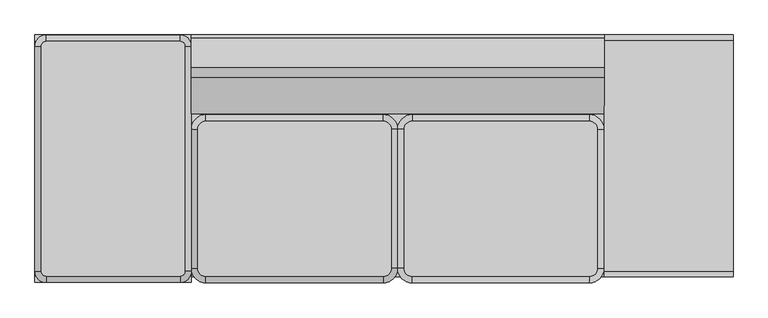
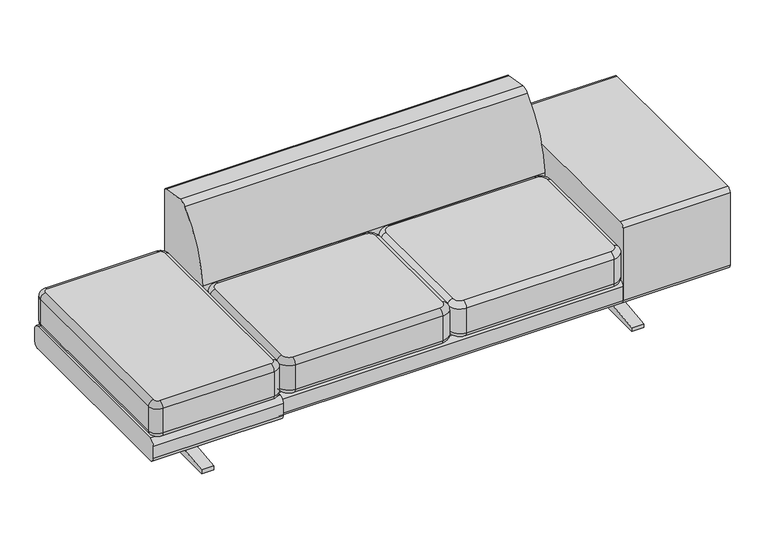
"""IFC4 building model written with IfcOpenShell, lengths in millimetres: furniture geometry."""

from ifc_helpers import new_model, si_unit, point, frame, frame_2d, origin, place, context, project, spatial, polyline, circle_curve, ellipse_curve, trimmed, segment, composite_curve, outline, extrude, source, transform, mapped, element, save
from ifc_brep_helpers import plane_surface, cylinder_surface, revolved_surface, advanced_brep


def furniture_70bb17c7(model_context):
    return source(origin(), model_context, "Body", "SolidModel", [
        extrude(outline(composite_curve([segment(polyline([(355.0969754, 0.0), (0.0, 0.0), (-355.0969754, 0.0), (-355.0969754, 16.2401822), (-121.6204743, 42.7918602)]), True, "CONTINUOUS"), segment(trimmed(circle_curve(frame_2d((-121.6204743, 71.7339548)), 28.9420946), [point((-121.6204743, 42.7918602))], [point((-92.6783797, 71.7339548))], True, "CARTESIAN"), True, "CONTINUOUS"), segment(polyline([(-92.6783797, 71.7339548), (-92.6783797, 136.8214548)]), True, "CONTINUOUS"), segment(trimmed(circle_curve(frame_2d((-121.6204743, 136.8214548)), 28.9420946), [point((-92.6783797, 136.8214548))], [point((-121.6204743, 165.7635494))], True, "CARTESIAN"), True, "CONTINUOUS"), segment(polyline([(-121.6204743, 165.7635494), (-171.499025, 165.7635494), (-171.499025, 178.564682), (-68.1000311, 178.564682), (-68.1000311, 70.7911959)]), True, "CONTINUOUS"), segment(trimmed(circle_curve(frame_2d((-39.1732953, 71.7339548)), 28.9420946), [point((-68.1000311, 70.7911959))], [point((-39.1732953, 42.7918602))], True, "CARTESIAN"), True, "CONTINUOUS"), segment(polyline([(-39.1732953, 42.7918602), (0.0, 42.7918602), (39.1732953, 42.7918602)]), True, "CONTINUOUS"), segment(trimmed(circle_curve(frame_2d((39.1732953, 71.7339548)), 28.9420946), [point((39.1732953, 42.7918602))], [point((68.1000311, 70.7911959))], True, "CARTESIAN"), True, "CONTINUOUS"), segment(polyline([(68.1000311, 70.7911959), (68.1000311, 178.564682), (171.499025, 178.564682), (171.499025, 165.7635494), (121.6204743, 165.7635494)]), True, "CONTINUOUS"), segment(trimmed(circle_curve(frame_2d((121.6204743, 136.8214548)), 28.9420946), [point((121.6204743, 165.7635494))], [point((92.6783797, 136.8214548))], True, "CARTESIAN"), True, "CONTINUOUS"), segment(polyline([(92.6783797, 136.8214548), (92.6783797, 71.7339548)]), True, "CONTINUOUS"), segment(trimmed(circle_curve(frame_2d((121.6204743, 71.7339548)), 28.9420946), [point((92.6783797, 71.7339548))], [point((121.6204743, 42.7918602))], True, "CARTESIAN"), True, "CONTINUOUS"), segment(polyline([(121.6204743, 42.7918602), (355.0969754, 16.2401822), (355.0969754, 0.0)]), True, "CONTINUOUS")], self_intersect=False)), frame((-1019.175, 0.0, 0.0), z_axis=(1.0, 0.0, 0.0), x_axis=(0.0, 1.0, 0.0)), (0.0, 0.0, 1.0), 50.8),
        extrude(outline(composite_curve([segment(polyline([(431.8, 255.5866716), (431.8, 201.4772538)]), True, "CONTINUOUS"), segment(trimmed(circle_curve(frame_2d((408.8874282, 201.4772538)), 22.9125718), [point((431.8, 201.4772538))], [point((408.8874282, 178.564682))], False, "CARTESIAN"), True, "CONTINUOUS"), segment(polyline([(408.8874282, 178.564682), (-408.8874282, 178.564682)]), True, "CONTINUOUS"), segment(trimmed(circle_curve(frame_2d((-408.8874282, 201.4772538)), 22.9125718), [point((-408.8874282, 178.564682))], [point((-431.8, 201.4772538))], False, "CARTESIAN"), True, "CONTINUOUS"), segment(polyline([(-431.8, 201.4772538), (-431.8, 255.5866716)]), True, "CONTINUOUS"), segment(trimmed(circle_curve(frame_2d((-408.8874282, 255.5866716)), 22.9125718), [point((-431.8, 255.5866716))], [point((-408.8874282, 278.4992435))], False, "CARTESIAN"), True, "CONTINUOUS"), segment(polyline([(-408.8874282, 278.4992435), (408.8874282, 278.4992435)]), True, "CONTINUOUS"), segment(trimmed(circle_curve(frame_2d((408.8874282, 255.5866716)), 22.9125718), [point((408.8874282, 278.4992435))], [point((431.8, 255.5866716))], False, "CARTESIAN"), True, "CONTINUOUS")], self_intersect=False)), frame((-1266.825, 0.0, 0.0), z_axis=(1.0, 0.0, 0.0), x_axis=(0.0, 1.0, 0.0)), (0.0, 0.0, 1.0), 546.1),
        advanced_brep(
        [(-742.9623254, 392.2982568, 432.564682), (-759.5514968, 408.8874282, 432.564682), (-1227.7140863, 408.8874282, 432.564682), (-1244.3032577, 392.2982568, 432.564682), (-1244.3032577, -393.6409654, 432.564682), (-1227.7140863, -410.2301368, 432.564682), (-759.5514968, -410.2301368, 432.564682), (-742.9623254, -393.6409654, 432.564682), (-759.5514968, 408.8874282, 278.2017207), (-742.9623254, 392.2982568, 278.2017207), (-742.9623254, -393.6409654, 278.2017207), (-759.5514968, -410.2301368, 278.2017207), (-1227.7140863, -410.2301368, 278.2017207), (-1244.3032577, -393.6409654, 278.2017207), (-1244.3032577, 392.2982568, 278.2017207), (-1227.7140863, 408.8874282, 278.2017207), (-1227.7140863, 408.8874282, 278.4992435), (-759.5514968, 408.8874282, 278.4992435), (-1244.3032577, 392.2982568, 278.4992435), (-1244.3032577, -393.6409654, 278.4992435), (-1227.7140863, -410.2301368, 278.4992435), (-759.5514968, -410.2301368, 278.4992435), (-742.9623254, -393.6409654, 278.4992435), (-742.9623254, 392.2982568, 278.4992435), (-759.5514968, 431.3380685, 300.9498838), (-720.5116851, 392.2982568, 300.9498838), (-759.5514968, 431.3380685, 410.1140417), (-720.5116851, 392.2982568, 410.1140417), (-1227.7140863, 431.3380685, 300.9498838), (-1227.7140863, 431.3380685, 410.1140417), (-1266.753898, 392.2982568, 300.9498838), (-1266.753898, 392.2982568, 410.1140417), (-1266.753898, -393.6409654, 300.9498838), (-1266.753898, -393.6409654, 410.1140417), (-1227.7140863, -432.6807771, 300.9498838), (-1227.7140863, -432.6807771, 410.1140417), (-759.5514968, -432.6807771, 300.9498838), (-759.5514968, -432.6807771, 410.1140417), (-720.5116851, -393.6409654, 300.9498838), (-720.5116851, -393.6409654, 410.1140417)],
        [
            (0, 1, circle_curve(frame((-759.5514968, 392.2982568, 432.564682), z_axis=(0.0, 0.0, 1.0), x_axis=(1.0, 0.0, 0.0)), 16.5891714)),
            (1, 2),
            (2, 3, circle_curve(frame((-1227.7140863, 392.2982568, 432.564682), z_axis=(0.0, 0.0, 1.0), x_axis=(0.0, 1.0, 0.0)), 16.5891714)),
            (3, 4),
            (4, 5, circle_curve(frame((-1227.7140863, -393.6409654, 432.564682), z_axis=(0.0, 0.0, 1.0), x_axis=(-1.0, 0.0, 0.0)), 16.5891714)),
            (5, 6),
            (6, 7, circle_curve(frame((-759.5514968, -393.6409654, 432.564682), z_axis=(0.0, 0.0, 1.0), x_axis=(0.0, -1.0, 0.0)), 16.5891714)),
            (7, 0),
            (8, 9, circle_curve(frame((-759.5514968, 392.2982568, 278.2017207), z_axis=(0.0, 0.0, -1.0), x_axis=(1.0, 0.0, 0.0)), 16.5891714)),
            (9, 10),
            (10, 11, circle_curve(frame((-759.5514968, -393.6409654, 278.2017207), z_axis=(0.0, 0.0, -1.0), x_axis=(1.0, 0.0, 0.0)), 16.5891714)),
            (11, 12),
            (12, 13, circle_curve(frame((-1227.7140863, -393.6409654, 278.2017207), z_axis=(0.0, 0.0, -1.0), x_axis=(1.0, 0.0, 0.0)), 16.5891714)),
            (13, 14),
            (14, 15, circle_curve(frame((-1227.7140863, 392.2982568, 278.2017207), z_axis=(0.0, 0.0, -1.0), x_axis=(1.0, 0.0, 0.0)), 16.5891714)),
            (15, 8),
            (15, 16),
            (16, 17),
            (17, 8),
            (14, 18),
            (18, 16, circle_curve(frame((-1227.7140863, 392.2982568, 278.4992435), z_axis=(0.0, 0.0, -1.0), x_axis=(1.0, 0.0, 0.0)), 16.5891714)),
            (13, 19),
            (19, 18),
            (12, 20),
            (20, 19, circle_curve(frame((-1227.7140863, -393.6409654, 278.4992435), z_axis=(0.0, 0.0, -1.0), x_axis=(1.0, 0.0, 0.0)), 16.5891714)),
            (11, 21),
            (21, 20),
            (10, 22),
            (22, 21, circle_curve(frame((-759.5514968, -393.6409654, 278.4992435), z_axis=(0.0, 0.0, -1.0), x_axis=(1.0, 0.0, 0.0)), 16.5891714)),
            (9, 23),
            (23, 22),
            (17, 23, circle_curve(frame((-759.5514968, 392.2982568, 278.4992435), z_axis=(0.0, 0.0, -1.0), x_axis=(1.0, 0.0, 0.0)), 16.5891714)),
            (24, 25, circle_curve(frame((-759.5514968, 392.2982568, 300.9498838), z_axis=(0.0, 0.0, -1.0), x_axis=(1.0, 0.0, 0.0)), 39.0398117)),
            (25, 23, circle_curve(frame((-742.9623254, 392.2982568, 300.9498838), z_axis=(0.0, 1.0, 0.0), x_axis=(-1.0, 0.0, 0.0)), 22.4506403)),
            (17, 24, circle_curve(frame((-759.5514968, 408.8874282, 300.9498838), z_axis=(1.0, 0.0, 0.0), x_axis=(0.0, -1.0, 0.0)), 22.4506403)),
            (24, 26),
            (26, 27, circle_curve(frame((-759.5514968, 392.2982568, 410.1140417), z_axis=(0.0, 0.0, -1.0), x_axis=(1.0, 0.0, 0.0)), 39.0398117)),
            (27, 25),
            (26, 1, circle_curve(frame((-759.5514968, 408.8874282, 410.1140417), z_axis=(1.0, 0.0, 0.0), x_axis=(0.0, -1.0, 0.0)), 22.4506403)),
            (0, 27, circle_curve(frame((-742.9623254, 392.2982568, 410.1140417), z_axis=(0.0, 1.0, 0.0), x_axis=(-1.0, 0.0, 0.0)), 22.4506403)),
            (16, 28, circle_curve(frame((-1227.7140863, 408.8874282, 300.9498838), z_axis=(1.0, 0.0, 0.0), x_axis=(0.0, -1.0, 0.0)), 22.4506403)),
            (28, 24),
            (28, 29),
            (29, 26),
            (29, 2, circle_curve(frame((-1227.7140863, 408.8874282, 410.1140417), z_axis=(1.0, 0.0, 0.0), x_axis=(0.0, -1.0, 0.0)), 22.4506403)),
            (18, 30, circle_curve(frame((-1244.3032577, 392.2982568, 300.9498838), z_axis=(0.0, 1.0, 0.0), x_axis=(1.0, 0.0, 0.0)), 22.4506403)),
            (30, 28, circle_curve(frame((-1227.7140863, 392.2982568, 300.9498838), z_axis=(0.0, 0.0, -1.0), x_axis=(0.0, 1.0, 0.0)), 39.0398117)),
            (30, 31),
            (31, 29, circle_curve(frame((-1227.7140863, 392.2982568, 410.1140417), z_axis=(0.0, 0.0, -1.0), x_axis=(0.0, 1.0, 0.0)), 39.0398117)),
            (31, 3, circle_curve(frame((-1244.3032577, 392.2982568, 410.1140417), z_axis=(0.0, 1.0, 0.0), x_axis=(1.0, 0.0, 0.0)), 22.4506403)),
            (19, 32, circle_curve(frame((-1244.3032577, -393.6409654, 300.9498838), z_axis=(0.0, 1.0, 0.0), x_axis=(1.0, 0.0, 0.0)), 22.4506403)),
            (32, 30),
            (32, 33),
            (33, 31),
            (33, 4, circle_curve(frame((-1244.3032577, -393.6409654, 410.1140417), z_axis=(0.0, 1.0, 0.0), x_axis=(1.0, 0.0, 0.0)), 22.4506403)),
            (20, 34, circle_curve(frame((-1227.7140863, -410.2301368, 300.9498838), z_axis=(-1.0, 0.0, 0.0), x_axis=(0.0, 1.0, 0.0)), 22.4506403)),
            (34, 32, circle_curve(frame((-1227.7140863, -393.6409654, 300.9498838), z_axis=(0.0, 0.0, -1.0), x_axis=(-1.0, 0.0, 0.0)), 39.0398117)),
            (34, 35),
            (35, 33, circle_curve(frame((-1227.7140863, -393.6409654, 410.1140417), z_axis=(0.0, 0.0, -1.0), x_axis=(-1.0, 0.0, 0.0)), 39.0398117)),
            (35, 5, circle_curve(frame((-1227.7140863, -410.2301368, 410.1140417), z_axis=(-1.0, 0.0, 0.0), x_axis=(0.0, 1.0, 0.0)), 22.4506403)),
            (21, 36, circle_curve(frame((-759.5514968, -410.2301368, 300.9498838), z_axis=(-1.0, 0.0, 0.0), x_axis=(0.0, 1.0, 0.0)), 22.4506403)),
            (36, 34),
            (36, 37),
            (37, 35),
            (37, 6, circle_curve(frame((-759.5514968, -410.2301368, 410.1140417), z_axis=(-1.0, 0.0, 0.0), x_axis=(0.0, 1.0, 0.0)), 22.4506403)),
            (22, 38, circle_curve(frame((-742.9623254, -393.6409654, 300.9498838), z_axis=(0.0, -1.0, 0.0), x_axis=(-1.0, 0.0, 0.0)), 22.4506403)),
            (38, 36, circle_curve(frame((-759.5514968, -393.6409654, 300.9498838), z_axis=(0.0, 0.0, -1.0), x_axis=(0.0, -1.0, 0.0)), 39.0398117)),
            (38, 39),
            (39, 37, circle_curve(frame((-759.5514968, -393.6409654, 410.1140417), z_axis=(0.0, 0.0, -1.0), x_axis=(0.0, -1.0, 0.0)), 39.0398117)),
            (39, 7, circle_curve(frame((-742.9623254, -393.6409654, 410.1140417), z_axis=(0.0, -1.0, 0.0), x_axis=(-1.0, 0.0, 0.0)), 22.4506403)),
            (25, 38),
            (27, 39),
        ],
        [
            plane_surface(frame((-1227.7140863, 408.8874282, 432.564682), z_axis=(0.0, 0.0, 1.0), x_axis=(-1.0, 0.0, 0.0))),
            plane_surface(frame((-1227.7140863, 408.8874282, 278.2017207), z_axis=(0.0, 0.0, -1.0), x_axis=(1.0, 0.0, 0.0))),
            plane_surface(frame((-759.5514968, 408.8874282, 432.564682), z_axis=(0.0, 1.0, 0.0), x_axis=(0.0, 0.0, -1.0))),
            cylinder_surface(frame((-1227.7140863, 392.2982568, 278.2017207), z_axis=(0.0, 0.0, 1.0), x_axis=(1.0, 0.0, 0.0)), 16.5891714),
            plane_surface(frame((-1244.3032577, 392.2982568, 432.564682), z_axis=(-1.0, 0.0, 0.0), x_axis=(0.0, 0.0, -1.0))),
            cylinder_surface(frame((-1227.7140863, -393.6409654, 278.2017207), z_axis=(0.0, 0.0, 1.0), x_axis=(1.0, 0.0, 0.0)), 16.5891714),
            plane_surface(frame((-1227.7140863, -410.2301368, 432.564682), z_axis=(0.0, -1.0, 0.0), x_axis=(0.0, 0.0, -1.0))),
            cylinder_surface(frame((-759.5514968, -393.6409654, 278.2017207), z_axis=(0.0, 0.0, 1.0), x_axis=(1.0, 0.0, 0.0)), 16.5891714),
            plane_surface(frame((-742.9623254, -393.6409654, 432.564682), z_axis=(1.0, 0.0, 0.0), x_axis=(0.0, 0.0, -1.0))),
            cylinder_surface(frame((-759.5514968, 392.2982568, 278.2017207), z_axis=(0.0, 0.0, 1.0), x_axis=(1.0, 0.0, 0.0)), 16.5891714),
            revolved_surface(trimmed(ellipse_curve(frame((-742.9623254, 392.2982568, 300.9498838), z_axis=(0.0, -1.0, 0.0), x_axis=(-1.0, 0.0, 0.0)), 22.4506403, 22.4506403), [point((-742.9623254, 392.2982568, 278.4992435))], [point((-720.5116851, 392.2982568, 300.9498838))], True, "CARTESIAN"), (-759.5514968, 392.2982568, 432.564682), (0.0, 0.0, 1.0)),
            cylinder_surface(frame((-759.5514968, 392.2982568, 432.564682), z_axis=(0.0, 0.0, 1.0), x_axis=(1.0, 0.0, 0.0)), 39.0398117),
            revolved_surface(trimmed(ellipse_curve(frame((-742.9623254, 392.2982568, 410.1140417), z_axis=(0.0, -1.0, 0.0), x_axis=(-1.0, 0.0, 0.0)), 22.4506403, 22.4506403), [point((-720.5116851, 392.2982568, 410.1140417))], [point((-742.9623254, 392.2982568, 432.564682))], True, "CARTESIAN"), (-759.5514968, 392.2982568, 432.564682), (0.0, 0.0, 1.0)),
            cylinder_surface(frame((-759.5514968, 408.8874282, 300.9498838), z_axis=(1.0, 0.0, 0.0), x_axis=(0.0, -1.0, 0.0)), 22.4506403),
            plane_surface(frame((-759.5514968, 431.3380685, 300.9498838), z_axis=(0.0, 1.0, 0.0), x_axis=(-1.0, 0.0, 0.0))),
            cylinder_surface(frame((-759.5514968, 408.8874282, 410.1140417), z_axis=(1.0, 0.0, 0.0), x_axis=(0.0, -1.0, 0.0)), 22.4506403),
            revolved_surface(trimmed(ellipse_curve(frame((-1227.7140863, 408.8874282, 300.9498838), z_axis=(1.0, 0.0, 0.0), x_axis=(0.0, -1.0, 0.0)), 22.4506403, 22.4506403), [point((-1227.7140863, 408.8874282, 278.4992435))], [point((-1227.7140863, 431.3380685, 300.9498838))], True, "CARTESIAN"), (-1227.7140863, 392.2982568, 432.564682), (0.0, 0.0, 1.0)),
            cylinder_surface(frame((-1227.7140863, 392.2982568, 432.564682), z_axis=(0.0, 0.0, 1.0), x_axis=(0.0, 1.0, 0.0)), 39.0398117),
            revolved_surface(trimmed(ellipse_curve(frame((-1227.7140863, 408.8874282, 410.1140417), z_axis=(1.0, 0.0, 0.0), x_axis=(0.0, -1.0, 0.0)), 22.4506403, 22.4506403), [point((-1227.7140863, 431.3380685, 410.1140417))], [point((-1227.7140863, 408.8874282, 432.564682))], True, "CARTESIAN"), (-1227.7140863, 392.2982568, 432.564682), (0.0, 0.0, 1.0)),
            cylinder_surface(frame((-1244.3032577, 392.2982568, 300.9498838), z_axis=(0.0, 1.0, 0.0), x_axis=(1.0, 0.0, 0.0)), 22.4506403),
            plane_surface(frame((-1266.753898, 392.2982568, 300.9498838), z_axis=(-1.0, 0.0, 0.0), x_axis=(0.0, -1.0, 0.0))),
            cylinder_surface(frame((-1244.3032577, 392.2982568, 410.1140417), z_axis=(0.0, 1.0, 0.0), x_axis=(1.0, 0.0, 0.0)), 22.4506403),
            revolved_surface(trimmed(ellipse_curve(frame((-1244.3032577, -393.6409654, 300.9498838), z_axis=(0.0, 1.0, 0.0), x_axis=(1.0, 0.0, 0.0)), 22.4506403, 22.4506403), [point((-1244.3032577, -393.6409654, 278.4992435))], [point((-1266.753898, -393.6409654, 300.9498838))], True, "CARTESIAN"), (-1227.7140863, -393.6409654, 432.564682), (0.0, 0.0, 1.0)),
            cylinder_surface(frame((-1227.7140863, -393.6409654, 432.564682), z_axis=(0.0, 0.0, 1.0), x_axis=(-1.0, 0.0, 0.0)), 39.0398117),
            revolved_surface(trimmed(ellipse_curve(frame((-1244.3032577, -393.6409654, 410.1140417), z_axis=(0.0, 1.0, 0.0), x_axis=(1.0, 0.0, 0.0)), 22.4506403, 22.4506403), [point((-1266.753898, -393.6409654, 410.1140417))], [point((-1244.3032577, -393.6409654, 432.564682))], True, "CARTESIAN"), (-1227.7140863, -393.6409654, 432.564682), (0.0, 0.0, 1.0)),
            cylinder_surface(frame((-1227.7140863, -410.2301368, 300.9498838), z_axis=(-1.0, 0.0, 0.0), x_axis=(0.0, 1.0, 0.0)), 22.4506403),
            plane_surface(frame((-1227.7140863, -432.6807771, 300.9498838), z_axis=(0.0, -1.0, 0.0), x_axis=(1.0, 0.0, 0.0))),
            cylinder_surface(frame((-1227.7140863, -410.2301368, 410.1140417), z_axis=(-1.0, 0.0, 0.0), x_axis=(0.0, 1.0, 0.0)), 22.4506403),
            revolved_surface(trimmed(ellipse_curve(frame((-759.5514968, -410.2301368, 300.9498838), z_axis=(-1.0, 0.0, 0.0), x_axis=(0.0, 1.0, 0.0)), 22.4506403, 22.4506403), [point((-759.5514968, -410.2301368, 278.4992435))], [point((-759.5514968, -432.6807771, 300.9498838))], True, "CARTESIAN"), (-759.5514968, -393.6409654, 432.564682), (0.0, 0.0, 1.0)),
            cylinder_surface(frame((-759.5514968, -393.6409654, 432.564682), z_axis=(0.0, 0.0, 1.0), x_axis=(0.0, -1.0, 0.0)), 39.0398117),
            revolved_surface(trimmed(ellipse_curve(frame((-759.5514968, -410.2301368, 410.1140417), z_axis=(-1.0, 0.0, 0.0), x_axis=(0.0, 1.0, 0.0)), 22.4506403, 22.4506403), [point((-759.5514968, -432.6807771, 410.1140417))], [point((-759.5514968, -410.2301368, 432.564682))], True, "CARTESIAN"), (-759.5514968, -393.6409654, 432.564682), (0.0, 0.0, 1.0)),
            cylinder_surface(frame((-742.9623254, -393.6409654, 300.9498838), z_axis=(0.0, -1.0, 0.0), x_axis=(-1.0, 0.0, 0.0)), 22.4506403),
            plane_surface(frame((-720.5116851, -393.6409654, 300.9498838), z_axis=(1.0, 0.0, 0.0), x_axis=(0.0, 1.0, 0.0))),
            cylinder_surface(frame((-742.9623254, -393.6409654, 410.1140417), z_axis=(0.0, -1.0, 0.0), x_axis=(-1.0, 0.0, 0.0)), 22.4506403),
        ],
        [
            (0, [[1, 2, 3, 4, 5, 6, 7, 8]]),
            (1, [[9, 10, 11, 12, 13, 14, 15, 16]]),
            (2, [[-16, 17, 18, 19]]),
            (3, [[-15, 20, 21, -17]]),
            (4, [[-14, 22, 23, -20]]),
            (5, [[-13, 24, 25, -22]]),
            (6, [[-12, 26, 27, -24]]),
            (7, [[-11, 28, 29, -26]]),
            (8, [[-10, 30, 31, -28]]),
            (9, [[-9, -19, 32, -30]]),
            (10, [[33, 34, -32, 35]]),
            (11, [[-33, 36, 37, 38]]),
            (12, [[-37, 39, -1, 40]]),
            (13, [[-35, -18, 41, 42]]),
            (14, [[-36, -42, 43, 44]]),
            (15, [[-39, -44, 45, -2]]),
            (16, [[-41, -21, 46, 47]]),
            (17, [[-43, -47, 48, 49]]),
            (18, [[-45, -49, 50, -3]]),
            (19, [[-46, -23, 51, 52]]),
            (20, [[-48, -52, 53, 54]]),
            (21, [[-50, -54, 55, -4]]),
            (22, [[-51, -25, 56, 57]]),
            (23, [[-53, -57, 58, 59]]),
            (24, [[-55, -59, 60, -5]]),
            (25, [[-56, -27, 61, 62]]),
            (26, [[-58, -62, 63, 64]]),
            (27, [[-60, -64, 65, -6]]),
            (28, [[-61, -29, 66, 67]]),
            (29, [[-63, -67, 68, 69]]),
            (30, [[-65, -69, 70, -7]]),
            (31, [[-34, 71, -66, -31]]),
            (32, [[-38, 72, -68, -71]]),
            (33, [[-40, -8, -70, -72]]),
        ],
    ),
        extrude(outline(composite_curve([segment(polyline([(355.0969754, 0.0), (0.0, 0.0), (-355.0969754, 0.0), (-355.0969754, 16.2401822), (-121.6204743, 42.7918602)]), True, "CONTINUOUS"), segment(trimmed(circle_curve(frame_2d((-121.6204743, 71.7339548)), 28.9420946), [point((-121.6204743, 42.7918602))], [point((-92.6783797, 71.7339548))], True, "CARTESIAN"), True, "CONTINUOUS"), segment(polyline([(-92.6783797, 71.7339548), (-92.6783797, 136.8214548)]), True, "CONTINUOUS"), segment(trimmed(circle_curve(frame_2d((-121.6204743, 136.8214548)), 28.9420946), [point((-92.6783797, 136.8214548))], [point((-121.6204743, 165.7635494))], True, "CARTESIAN"), True, "CONTINUOUS"), segment(polyline([(-121.6204743, 165.7635494), (-171.499025, 165.7635494), (-171.499025, 178.564682), (-68.1000311, 178.564682), (-68.1000311, 70.7911959)]), True, "CONTINUOUS"), segment(trimmed(circle_curve(frame_2d((-39.1732953, 71.7339548)), 28.9420946), [point((-68.1000311, 70.7911959))], [point((-39.1732953, 42.7918602))], True, "CARTESIAN"), True, "CONTINUOUS"), segment(polyline([(-39.1732953, 42.7918602), (0.0, 42.7918602), (39.1732953, 42.7918602)]), True, "CONTINUOUS"), segment(trimmed(circle_curve(frame_2d((39.1732953, 71.7339548)), 28.9420946), [point((39.1732953, 42.7918602))], [point((68.1000311, 70.7911959))], True, "CARTESIAN"), True, "CONTINUOUS"), segment(polyline([(68.1000311, 70.7911959), (68.1000311, 178.564682), (171.499025, 178.564682), (171.499025, 165.7635494), (121.6204743, 165.7635494)]), True, "CONTINUOUS"), segment(trimmed(circle_curve(frame_2d((121.6204743, 136.8214548)), 28.9420946), [point((121.6204743, 165.7635494))], [point((92.6783797, 136.8214548))], True, "CARTESIAN"), True, "CONTINUOUS"), segment(polyline([(92.6783797, 136.8214548), (92.6783797, 71.7339548)]), True, "CONTINUOUS"), segment(trimmed(circle_curve(frame_2d((121.6204743, 71.7339548)), 28.9420946), [point((92.6783797, 71.7339548))], [point((121.6204743, 42.7918602))], True, "CARTESIAN"), True, "CONTINUOUS"), segment(polyline([(121.6204743, 42.7918602), (355.0969754, 16.2401822), (355.0969754, 0.0)]), True, "CONTINUOUS")], self_intersect=False)), frame((790.575, 0.0, 0.0), z_axis=(1.0, 0.0, 0.0), x_axis=(0.0, 1.0, 0.0)), (0.0, 0.0, 1.0), 50.8),
        advanced_brep(
        [(-50.8266069, -411.5334579, 278.4992435), (-669.5254884, -411.5334579, 278.4992435), (-697.8995624, -383.1593839, 278.4992435), (-697.8995624, 102.2194567, 278.4992435), (-669.5254884, 130.5935359, 278.4992435), (-50.8266069, 130.5935359, 278.4992435), (-22.4525329, 102.2194619, 278.4992435), (-22.4525329, -383.1593785, 278.4992435), (-669.5254884, -411.5334579, 432.564682), (-50.8266069, -411.5334579, 432.564682), (-22.4525329, -383.1593839, 432.564682), (-22.4525329, 102.2194619, 432.564682), (-50.8266083, 130.5935359, 432.564682), (-669.5254884, 130.5935359, 432.564682), (-697.8995624, 102.2194619, 432.564682), (-697.8995624, -383.1593839, 432.564682), (-669.5254884, -433.9840982, 300.9498838), (-50.8266069, -433.9840982, 300.9498838), (-50.8266069, -433.9840982, 410.1140417), (-669.5254884, -433.9840982, 410.1140417), (-0.0018926, -383.1593839, 300.9498838), (-0.0018926, -383.1593839, 410.1140417), (-0.0018926, 102.2194619, 300.9498838), (-0.0018926, 102.2194619, 410.1140417), (-50.8266069, 153.0441762, 300.9498838), (-50.8266069, 153.0441762, 410.1140417), (-669.5254884, 153.0441762, 300.9498838), (-669.5254884, 153.0441762, 410.1140417), (-720.3502027, 102.2194619, 300.9498838), (-720.3502027, 102.2194619, 410.1140417), (-720.3502027, -383.1593839, 300.9498838), (-720.3502027, -383.1593839, 410.1140417)],
        [
            (0, 1),
            (1, 2, circle_curve(frame((-669.5254884, -383.1593839, 278.4992435), z_axis=(0.0, 0.0, -1.0), x_axis=(-1.0, 0.0, 0.0)), 28.374074)),
            (2, 3),
            (3, 4, circle_curve(frame((-669.5254884, 102.2194619, 278.4992435), z_axis=(0.0, 0.0, -1.0), x_axis=(0.0, 1.0, 0.0)), 28.374074)),
            (4, 5),
            (5, 6, circle_curve(frame((-50.8266069, 102.2194619, 278.4992435), z_axis=(0.0, 0.0, -1.0), x_axis=(1.0, 0.0, 0.0)), 28.374074)),
            (6, 7),
            (7, 0, circle_curve(frame((-50.8266069, -383.1593839, 278.4992435), z_axis=(0.0, 0.0, -1.0), x_axis=(0.0, -1.0, 0.0)), 28.374074)),
            (8, 9),
            (9, 10, circle_curve(frame((-50.8266069, -383.1593839, 432.564682), z_axis=(0.0, 0.0, 1.0), x_axis=(0.0, -1.0, 0.0)), 28.374074)),
            (10, 11),
            (11, 12, circle_curve(frame((-50.8266069, 102.2194619, 432.564682), z_axis=(0.0, 0.0, 1.0), x_axis=(1.0, 0.0, 0.0)), 28.374074)),
            (12, 13),
            (13, 14, circle_curve(frame((-669.5254884, 102.2194619, 432.564682), z_axis=(0.0, 0.0, 1.0), x_axis=(0.0, 1.0, 0.0)), 28.374074)),
            (14, 15),
            (15, 8, circle_curve(frame((-669.5254884, -383.1593839, 432.564682), z_axis=(0.0, 0.0, 1.0), x_axis=(-1.0, 0.0, 0.0)), 28.374074)),
            (16, 1, circle_curve(frame((-669.5254884, -411.5334579, 300.9498838), z_axis=(1.0, 0.0, 0.0), x_axis=(0.0, 1.0, 0.0)), 22.4506403)),
            (0, 17, circle_curve(frame((-50.8266069, -411.5334579, 300.9498838), z_axis=(-1.0, 0.0, 0.0), x_axis=(0.0, 1.0, 0.0)), 22.4506403)),
            (17, 16),
            (17, 18),
            (18, 19),
            (19, 16),
            (18, 9, circle_curve(frame((-50.8266069, -411.5334579, 410.1140417), z_axis=(-1.0, 0.0, 0.0), x_axis=(0.0, 1.0, 0.0)), 22.4506403)),
            (8, 19, circle_curve(frame((-669.5254884, -411.5334579, 410.1140417), z_axis=(1.0, 0.0, 0.0), x_axis=(0.0, 1.0, 0.0)), 22.4506403)),
            (7, 20, circle_curve(frame((-22.4525329, -383.1593839, 300.9498838), z_axis=(0.0, -1.0, 0.0), x_axis=(-1.0, 0.0, 0.0)), 22.4506403)),
            (20, 17, circle_curve(frame((-50.8266069, -383.1593839, 300.9498838), z_axis=(0.0, 0.0, -1.0), x_axis=(0.0, -1.0, 0.0)), 50.8247143)),
            (20, 21),
            (21, 18, circle_curve(frame((-50.8266069, -383.1593839, 410.1140417), z_axis=(0.0, 0.0, -1.0), x_axis=(0.0, -1.0, 0.0)), 50.8247143)),
            (21, 10, circle_curve(frame((-22.4525329, -383.1593839, 410.1140417), z_axis=(0.0, -1.0, 0.0), x_axis=(-1.0, 0.0, 0.0)), 22.4506403)),
            (6, 22, circle_curve(frame((-22.4525329, 102.2194619, 300.9498838), z_axis=(0.0, -1.0, 0.0), x_axis=(-1.0, 0.0, 0.0)), 22.4506403)),
            (22, 20),
            (22, 23),
            (23, 21),
            (23, 11, circle_curve(frame((-22.4525329, 102.2194619, 410.1140417), z_axis=(0.0, -1.0, 0.0), x_axis=(-1.0, 0.0, 0.0)), 22.4506403)),
            (5, 24, circle_curve(frame((-50.8266069, 130.5935359, 300.9498838), z_axis=(1.0, 0.0, 0.0), x_axis=(0.0, -1.0, 0.0)), 22.4506403)),
            (24, 22, circle_curve(frame((-50.8266069, 102.2194619, 300.9498838), z_axis=(0.0, 0.0, -1.0), x_axis=(1.0, 0.0, 0.0)), 50.8247143)),
            (24, 25),
            (25, 23, circle_curve(frame((-50.8266069, 102.2194619, 410.1140417), z_axis=(0.0, 0.0, -1.0), x_axis=(1.0, 0.0, 0.0)), 50.8247143)),
            (25, 12, circle_curve(frame((-50.8266069, 130.5935359, 410.1140417), z_axis=(1.0, 0.0, 0.0), x_axis=(0.0, -1.0, 0.0)), 22.4506403)),
            (4, 26, circle_curve(frame((-669.5254884, 130.5935359, 300.9498838), z_axis=(1.0, 0.0, 0.0), x_axis=(0.0, -1.0, 0.0)), 22.4506403)),
            (26, 24),
            (26, 27),
            (27, 25),
            (27, 13, circle_curve(frame((-669.5254884, 130.5935359, 410.1140417), z_axis=(1.0, 0.0, 0.0), x_axis=(0.0, -1.0, 0.0)), 22.4506403)),
            (3, 28, circle_curve(frame((-697.8995624, 102.2194619, 300.9498838), z_axis=(0.0, 1.0, 0.0), x_axis=(1.0, 0.0, 0.0)), 22.4506403)),
            (28, 26, circle_curve(frame((-669.5254884, 102.2194619, 300.9498838), z_axis=(0.0, 0.0, -1.0), x_axis=(0.0, 1.0, 0.0)), 50.8247143)),
            (28, 29),
            (29, 27, circle_curve(frame((-669.5254884, 102.2194619, 410.1140417), z_axis=(0.0, 0.0, -1.0), x_axis=(0.0, 1.0, 0.0)), 50.8247143)),
            (29, 14, circle_curve(frame((-697.8995624, 102.2194619, 410.1140417), z_axis=(0.0, 1.0, 0.0), x_axis=(1.0, 0.0, 0.0)), 22.4506403)),
            (2, 30, circle_curve(frame((-697.8995624, -383.1593839, 300.9498838), z_axis=(0.0, 1.0, 0.0), x_axis=(1.0, 0.0, 0.0)), 22.4506403)),
            (30, 28),
            (30, 31),
            (31, 29),
            (31, 15, circle_curve(frame((-697.8995624, -383.1593839, 410.1140417), z_axis=(0.0, 1.0, 0.0), x_axis=(1.0, 0.0, 0.0)), 22.4506403)),
            (16, 30, circle_curve(frame((-669.5254884, -383.1593839, 300.9498838), z_axis=(0.0, 0.0, -1.0), x_axis=(-1.0, 0.0, 0.0)), 50.8247143)),
            (19, 31, circle_curve(frame((-669.5254884, -383.1593839, 410.1140417), z_axis=(0.0, 0.0, -1.0), x_axis=(-1.0, 0.0, 0.0)), 50.8247143)),
        ],
        [
            plane_surface(frame((-669.5254884, 130.5935359, 278.4992435), z_axis=(0.0, 0.0, -1.0), x_axis=(1.0, 0.0, 0.0))),
            plane_surface(frame((-669.5254884, 130.5935359, 432.564682), z_axis=(0.0, 0.0, 1.0), x_axis=(-1.0, 0.0, 0.0))),
            cylinder_surface(frame((-669.5254884, -411.5334579, 300.9498838), z_axis=(-1.0, 0.0, 0.0), x_axis=(0.0, 1.0, 0.0)), 22.4506403),
            plane_surface(frame((-669.5254884, -433.9840982, 300.9498838), z_axis=(0.0, -1.0, 0.0), x_axis=(1.0, 0.0, 0.0))),
            cylinder_surface(frame((-669.5254884, -411.5334579, 410.1140417), z_axis=(-1.0, 0.0, 0.0), x_axis=(0.0, 1.0, 0.0)), 22.4506403),
            revolved_surface(trimmed(ellipse_curve(frame((-50.8266069, -411.5334579, 300.9498838), z_axis=(-1.0, 0.0, 0.0), x_axis=(0.0, 1.0, 0.0)), 22.4506403, 22.4506403), [point((-50.8266069, -411.5334579, 278.4992435))], [point((-50.8266069, -433.9840982, 300.9498838))], True, "CARTESIAN"), (-50.8266069, -383.1593839, 432.564682), (0.0, 0.0, 1.0)),
            cylinder_surface(frame((-50.8266069, -383.1593839, 432.564682), z_axis=(0.0, 0.0, 1.0), x_axis=(0.0, -1.0, 0.0)), 50.8247143),
            revolved_surface(trimmed(ellipse_curve(frame((-50.8266069, -411.5334579, 410.1140417), z_axis=(-1.0, 0.0, 0.0), x_axis=(0.0, 1.0, 0.0)), 22.4506403, 22.4506403), [point((-50.8266069, -433.9840982, 410.1140417))], [point((-50.8266069, -411.5334579, 432.564682))], True, "CARTESIAN"), (-50.8266069, -383.1593839, 432.564682), (0.0, 0.0, 1.0)),
            cylinder_surface(frame((-22.4525329, -383.1593839, 300.9498838), z_axis=(0.0, -1.0, 0.0), x_axis=(-1.0, 0.0, 0.0)), 22.4506403),
            plane_surface(frame((-0.0018926, -383.1593839, 300.9498838), z_axis=(1.0, 0.0, 0.0), x_axis=(0.0, 1.0, 0.0))),
            cylinder_surface(frame((-22.4525329, -383.1593839, 410.1140417), z_axis=(0.0, -1.0, 0.0), x_axis=(-1.0, 0.0, 0.0)), 22.4506403),
            revolved_surface(trimmed(ellipse_curve(frame((-22.4525329, 102.2194619, 300.9498838), z_axis=(0.0, -1.0, 0.0), x_axis=(-1.0, 0.0, 0.0)), 22.4506403, 22.4506403), [point((-22.4525329, 102.2194619, 278.4992435))], [point((-0.0018926, 102.2194619, 300.9498838))], True, "CARTESIAN"), (-50.8266069, 102.2194619, 432.564682), (0.0, 0.0, 1.0)),
            cylinder_surface(frame((-50.8266069, 102.2194619, 432.564682), z_axis=(0.0, 0.0, 1.0), x_axis=(1.0, 0.0, 0.0)), 50.8247143),
            revolved_surface(trimmed(ellipse_curve(frame((-22.4525329, 102.2194619, 410.1140417), z_axis=(0.0, -1.0, 0.0), x_axis=(-1.0, 0.0, 0.0)), 22.4506403, 22.4506403), [point((-0.0018926, 102.2194619, 410.1140417))], [point((-22.4525329, 102.2194619, 432.564682))], True, "CARTESIAN"), (-50.8266069, 102.2194619, 432.564682), (0.0, 0.0, 1.0)),
            cylinder_surface(frame((-50.8266069, 130.5935359, 300.9498838), z_axis=(1.0, 0.0, 0.0), x_axis=(0.0, -1.0, 0.0)), 22.4506403),
            plane_surface(frame((-50.8266069, 153.0441762, 300.9498838), z_axis=(0.0, 1.0, 0.0), x_axis=(-1.0, 0.0, 0.0))),
            cylinder_surface(frame((-50.8266069, 130.5935359, 410.1140417), z_axis=(1.0, 0.0, 0.0), x_axis=(0.0, -1.0, 0.0)), 22.4506403),
            revolved_surface(trimmed(ellipse_curve(frame((-669.5254884, 130.5935359, 300.9498838), z_axis=(1.0, 0.0, 0.0), x_axis=(0.0, -1.0, 0.0)), 22.4506403, 22.4506403), [point((-669.5254884, 130.5935359, 278.4992435))], [point((-669.5254884, 153.0441762, 300.9498838))], True, "CARTESIAN"), (-669.5254884, 102.2194619, 432.564682), (0.0, 0.0, 1.0)),
            cylinder_surface(frame((-669.5254884, 102.2194619, 432.564682), z_axis=(0.0, 0.0, 1.0), x_axis=(0.0, 1.0, 0.0)), 50.8247143),
            revolved_surface(trimmed(ellipse_curve(frame((-669.5254884, 130.5935359, 410.1140417), z_axis=(1.0, 0.0, 0.0), x_axis=(0.0, -1.0, 0.0)), 22.4506403, 22.4506403), [point((-669.5254884, 153.0441762, 410.1140417))], [point((-669.5254884, 130.5935359, 432.564682))], True, "CARTESIAN"), (-669.5254884, 102.2194619, 432.564682), (0.0, 0.0, 1.0)),
            cylinder_surface(frame((-697.8995624, 102.2194619, 300.9498838), z_axis=(0.0, 1.0, 0.0), x_axis=(1.0, 0.0, 0.0)), 22.4506403),
            plane_surface(frame((-720.3502027, 102.2194619, 300.9498838), z_axis=(-1.0, 0.0, 0.0), x_axis=(0.0, -1.0, 0.0))),
            cylinder_surface(frame((-697.8995624, 102.2194619, 410.1140417), z_axis=(0.0, 1.0, 0.0), x_axis=(1.0, 0.0, 0.0)), 22.4506403),
            revolved_surface(trimmed(ellipse_curve(frame((-697.8995624, -383.1593839, 300.9498838), z_axis=(0.0, 1.0, 0.0), x_axis=(1.0, 0.0, 0.0)), 22.4506403, 22.4506403), [point((-697.8995624, -383.1593839, 278.4992435))], [point((-720.3502027, -383.1593839, 300.9498838))], True, "CARTESIAN"), (-669.5254884, -383.1593839, 432.564682), (0.0, 0.0, 1.0)),
            cylinder_surface(frame((-669.5254884, -383.1593839, 432.564682), z_axis=(0.0, 0.0, 1.0), x_axis=(-1.0, 0.0, 0.0)), 50.8247143),
            revolved_surface(trimmed(ellipse_curve(frame((-697.8995624, -383.1593839, 410.1140417), z_axis=(0.0, 1.0, 0.0), x_axis=(1.0, 0.0, 0.0)), 22.4506403, 22.4506403), [point((-720.3502027, -383.1593839, 410.1140417))], [point((-697.8995624, -383.1593839, 432.564682))], True, "CARTESIAN"), (-669.5254884, -383.1593839, 432.564682), (0.0, 0.0, 1.0)),
        ],
        [
            (0, [[1, 2, 3, 4, 5, 6, 7, 8]]),
            (1, [[9, 10, 11, 12, 13, 14, 15, 16]]),
            (2, [[17, -1, 18, 19]]),
            (3, [[-19, 20, 21, 22]]),
            (4, [[-21, 23, -9, 24]]),
            (5, [[-18, -8, 25, 26]]),
            (6, [[-20, -26, 27, 28]]),
            (7, [[-23, -28, 29, -10]]),
            (8, [[-25, -7, 30, 31]]),
            (9, [[-27, -31, 32, 33]]),
            (10, [[-29, -33, 34, -11]]),
            (11, [[-30, -6, 35, 36]]),
            (12, [[-32, -36, 37, 38]]),
            (13, [[-34, -38, 39, -12]]),
            (14, [[-35, -5, 40, 41]]),
            (15, [[-37, -41, 42, 43]]),
            (16, [[-39, -43, 44, -13]]),
            (17, [[-40, -4, 45, 46]]),
            (18, [[-42, -46, 47, 48]]),
            (19, [[-44, -48, 49, -14]]),
            (20, [[-45, -3, 50, 51]]),
            (21, [[-47, -51, 52, 53]]),
            (22, [[-49, -53, 54, -15]]),
            (23, [[-17, 55, -50, -2]]),
            (24, [[-22, 56, -52, -55]]),
            (25, [[-24, -16, -54, -56]]),
        ],
    ),
        extrude(outline(composite_curve([segment(polyline([(431.8, 278.4992435), (204.8844187, 278.4992435)]), True, "CONTINUOUS"), segment(trimmed(circle_curve(frame_2d((204.8844187, 330.9070425)), 52.4077991), [point((204.8844187, 278.4992435))], [point((155.6371966, 312.9825196))], False, "CARTESIAN"), True, "CONTINUOUS"), segment(trimmed(circle_curve(frame_2d((731.6237418, 366.9575196)), 578.5099834), [point((155.6371966, 312.9825196))], [point((155.6371966, 420.9325196))], False, "CARTESIAN"), True, "CONTINUOUS"), segment(trimmed(circle_curve(frame_2d((606.9396763, 378.641512)), 453.2796681), [point((155.6371966, 420.9325196))], [point((284.4512428, 697.1751331))], False, "CARTESIAN"), True, "CONTINUOUS"), segment(trimmed(circle_curve(frame_2d((315.2580629, 666.7461101)), 43.3011039), [point((284.4512428, 697.1751331))], [point((319.2980572, 709.8583363))], False, "CARTESIAN"), True, "CONTINUOUS"), segment(trimmed(circle_curve(frame_2d((259.3151568, 69.7593349)), 642.9033208), [point((319.2980572, 709.8583363))], [point((421.8764201, 691.7710033))], False, "CARTESIAN"), True, "CONTINUOUS"), segment(trimmed(circle_curve(frame_2d((421.8764201, 681.8474234)), 9.9235799), [point((421.8764201, 691.7710033))], [point((431.8, 681.8474234))], False, "CARTESIAN"), True, "CONTINUOUS"), segment(polyline([(431.8, 681.8474234), (431.8, 278.4992435)]), True, "CONTINUOUS")], self_intersect=False)), frame((-720.725, 0.0, 0.0), z_axis=(1.0, 0.0, 0.0), x_axis=(0.0, 1.0, 0.0)), (0.0, 0.0, 1.0), 1441.45),
        advanced_brep(
        [(669.5254884, -411.5334579, 278.4992435), (50.8266069, -411.5334579, 278.4992435), (22.4525329, -383.1593839, 278.4992435), (22.4525329, 102.2194619, 278.4992435), (50.8266089, 130.5935359, 278.4992435), (669.5254884, 130.5935359, 278.4992435), (697.8995624, 102.2194619, 278.4992435), (697.8995624, -383.1593839, 278.4992435), (50.8266069, -411.5334579, 432.564682), (669.5254884, -411.5334579, 432.564682), (697.8995624, -383.1593839, 432.564682), (697.8995624, 102.2194617, 432.564682), (669.5254884, 130.5935359, 432.564682), (50.8266069, 130.5935359, 432.564682), (22.4525329, 102.2194619, 432.564682), (22.4525329, -383.1593836, 432.564682), (669.5254884, -433.9840982, 300.9498838), (50.8266069, -433.9840982, 300.9498838), (669.5254884, -433.9840982, 410.1140417), (50.8266069, -433.9840982, 410.1140417), (0.0018926, -383.1593839, 300.9498838), (0.0018926, -383.1593839, 410.1140417), (0.0018926, 102.2194619, 300.9498838), (0.0018926, 102.2194619, 410.1140417), (50.8266069, 153.0441762, 300.9498838), (50.8266069, 153.0441762, 410.1140417), (669.5254884, 153.0441762, 300.9498838), (669.5254884, 153.0441762, 410.1140417), (720.3502027, 102.2194619, 300.9498838), (720.3502027, 102.2194619, 410.1140417), (720.3502027, -383.1593839, 300.9498838), (720.3502027, -383.1593839, 410.1140417)],
        [
            (0, 1),
            (1, 2, circle_curve(frame((50.8266069, -383.1593839, 278.4992435), z_axis=(0.0, 0.0, -1.0), x_axis=(0.0, -1.0, 0.0)), 28.374074)),
            (2, 3),
            (3, 4, circle_curve(frame((50.8266069, 102.2194619, 278.4992435), z_axis=(0.0, 0.0, -1.0), x_axis=(-1.0, 0.0, 0.0)), 28.374074)),
            (4, 5),
            (5, 6, circle_curve(frame((669.5254884, 102.2194619, 278.4992435), z_axis=(0.0, 0.0, -1.0), x_axis=(0.0, 1.0, 0.0)), 28.374074)),
            (6, 7),
            (7, 0, circle_curve(frame((669.5254884, -383.1593839, 278.4992435), z_axis=(0.0, 0.0, -1.0), x_axis=(1.0, 0.0, 0.0)), 28.374074)),
            (8, 9),
            (9, 10, circle_curve(frame((669.5254884, -383.1593839, 432.564682), z_axis=(0.0, 0.0, 1.0), x_axis=(1.0, 0.0, 0.0)), 28.374074)),
            (10, 11),
            (11, 12, circle_curve(frame((669.5254884, 102.2194619, 432.564682), z_axis=(0.0, 0.0, 1.0), x_axis=(0.0, 1.0, 0.0)), 28.374074)),
            (12, 13),
            (13, 14, circle_curve(frame((50.8266069, 102.2194619, 432.564682), z_axis=(0.0, 0.0, 1.0), x_axis=(-1.0, 0.0, 0.0)), 28.374074)),
            (14, 15),
            (15, 8, circle_curve(frame((50.8266069, -383.1593839, 432.564682), z_axis=(0.0, 0.0, 1.0), x_axis=(0.0, -1.0, 0.0)), 28.374074)),
            (0, 16, circle_curve(frame((669.5254884, -411.5334579, 300.9498838), z_axis=(-1.0, 0.0, 0.0), x_axis=(0.0, -1.0, 0.0)), 22.4506403)),
            (16, 17),
            (17, 1, circle_curve(frame((50.8266069, -411.5334579, 300.9498838), z_axis=(1.0, 0.0, 0.0), x_axis=(0.0, -1.0, 0.0)), 22.4506403)),
            (16, 18),
            (18, 19),
            (19, 17),
            (18, 9, circle_curve(frame((669.5254884, -411.5334579, 410.1140417), z_axis=(-1.0, 0.0, 0.0), x_axis=(0.0, -1.0, 0.0)), 22.4506403)),
            (8, 19, circle_curve(frame((50.8266069, -411.5334579, 410.1140417), z_axis=(1.0, 0.0, 0.0), x_axis=(0.0, -1.0, 0.0)), 22.4506403)),
            (17, 20, circle_curve(frame((50.8266069, -383.1593839, 300.9498838), z_axis=(0.0, 0.0, -1.0), x_axis=(0.0, -1.0, 0.0)), 50.8247143)),
            (20, 2, circle_curve(frame((22.4525329, -383.1593839, 300.9498838), z_axis=(0.0, -1.0, 0.0), x_axis=(-1.0, 0.0, 0.0)), 22.4506403)),
            (19, 21, circle_curve(frame((50.8266069, -383.1593839, 410.1140417), z_axis=(0.0, 0.0, -1.0), x_axis=(0.0, -1.0, 0.0)), 50.8247143)),
            (21, 20),
            (15, 21, circle_curve(frame((22.4525329, -383.1593839, 410.1140417), z_axis=(0.0, -1.0, 0.0), x_axis=(-1.0, 0.0, 0.0)), 22.4506403)),
            (20, 22),
            (22, 3, circle_curve(frame((22.4525329, 102.2194619, 300.9498838), z_axis=(0.0, -1.0, 0.0), x_axis=(-1.0, 0.0, 0.0)), 22.4506403)),
            (21, 23),
            (23, 22),
            (14, 23, circle_curve(frame((22.4525329, 102.2194619, 410.1140417), z_axis=(0.0, -1.0, 0.0), x_axis=(-1.0, 0.0, 0.0)), 22.4506403)),
            (22, 24, circle_curve(frame((50.8266069, 102.2194619, 300.9498838), z_axis=(0.0, 0.0, -1.0), x_axis=(-1.0, 0.0, 0.0)), 50.8247143)),
            (24, 4, circle_curve(frame((50.8266069, 130.5935359, 300.9498838), z_axis=(-1.0, 0.0, 0.0), x_axis=(0.0, 1.0, 0.0)), 22.4506403)),
            (23, 25, circle_curve(frame((50.8266069, 102.2194619, 410.1140417), z_axis=(0.0, 0.0, -1.0), x_axis=(-1.0, 0.0, 0.0)), 50.8247143)),
            (25, 24),
            (13, 25, circle_curve(frame((50.8266069, 130.5935359, 410.1140417), z_axis=(-1.0, 0.0, 0.0), x_axis=(0.0, 1.0, 0.0)), 22.4506403)),
            (24, 26),
            (26, 5, circle_curve(frame((669.5254884, 130.5935359, 300.9498838), z_axis=(-1.0, 0.0, 0.0), x_axis=(0.0, 1.0, 0.0)), 22.4506403)),
            (25, 27),
            (27, 26),
            (12, 27, circle_curve(frame((669.5254884, 130.5935359, 410.1140417), z_axis=(-1.0, 0.0, 0.0), x_axis=(0.0, 1.0, 0.0)), 22.4506403)),
            (26, 28, circle_curve(frame((669.5254884, 102.2194619, 300.9498838), z_axis=(0.0, 0.0, -1.0), x_axis=(0.0, 1.0, 0.0)), 50.8247143)),
            (28, 6, circle_curve(frame((697.8995624, 102.2194619, 300.9498838), z_axis=(0.0, 1.0, 0.0), x_axis=(1.0, 0.0, 0.0)), 22.4506403)),
            (27, 29, circle_curve(frame((669.5254884, 102.2194619, 410.1140417), z_axis=(0.0, 0.0, -1.0), x_axis=(0.0, 1.0, 0.0)), 50.8247143)),
            (29, 28),
            (11, 29, circle_curve(frame((697.8995624, 102.2194619, 410.1140417), z_axis=(0.0, 1.0, 0.0), x_axis=(1.0, 0.0, 0.0)), 22.4506403)),
            (28, 30),
            (30, 7, circle_curve(frame((697.8995624, -383.1593839, 300.9498838), z_axis=(0.0, 1.0, 0.0), x_axis=(1.0, 0.0, 0.0)), 22.4506403)),
            (29, 31),
            (31, 30),
            (10, 31, circle_curve(frame((697.8995624, -383.1593839, 410.1140417), z_axis=(0.0, 1.0, 0.0), x_axis=(1.0, 0.0, 0.0)), 22.4506403)),
            (30, 16, circle_curve(frame((669.5254884, -383.1593839, 300.9498838), z_axis=(0.0, 0.0, -1.0), x_axis=(1.0, 0.0, 0.0)), 50.8247143)),
            (31, 18, circle_curve(frame((669.5254884, -383.1593839, 410.1140417), z_axis=(0.0, 0.0, -1.0), x_axis=(1.0, 0.0, 0.0)), 50.8247143)),
        ],
        [
            plane_surface(frame((79.2006809, 102.2194619, 278.4992435), z_axis=(0.0, 0.0, -1.0), x_axis=(0.0, -1.0, 0.0))),
            plane_surface(frame((79.2006809, 102.2194619, 432.564682), z_axis=(0.0, 0.0, 1.0), x_axis=(0.0, 1.0, 0.0))),
            cylinder_surface(frame((669.5254884, -411.5334579, 300.9498838), z_axis=(1.0, 0.0, 0.0), x_axis=(0.0, -1.0, 0.0)), 22.4506403),
            plane_surface(frame((669.5254884, -433.9840982, 410.1140417), z_axis=(0.0, -1.0, 0.0), x_axis=(-1.0, 0.0, 0.0))),
            cylinder_surface(frame((669.5254884, -411.5334579, 410.1140417), z_axis=(1.0, 0.0, 0.0), x_axis=(0.0, -1.0, 0.0)), 22.4506403),
            revolved_surface(trimmed(ellipse_curve(frame((50.8266069, -411.5334579, 300.9498838), z_axis=(1.0, 0.0, 0.0), x_axis=(0.0, -1.0, 0.0)), 22.4506403, 22.4506403), [point((50.8266069, -433.9840982, 300.9498838))], [point((50.8266069, -411.5334579, 278.4992435))], True, "CARTESIAN"), (50.8266069, -383.1593839, 432.564682), (0.0, 0.0, -1.0)),
            cylinder_surface(frame((50.8266069, -383.1593839, 432.564682), z_axis=(0.0, 0.0, -1.0), x_axis=(0.0, -1.0, 0.0)), 50.8247143),
            revolved_surface(trimmed(ellipse_curve(frame((50.8266069, -411.5334579, 410.1140417), z_axis=(1.0, 0.0, 0.0), x_axis=(0.0, -1.0, 0.0)), 22.4506403, 22.4506403), [point((50.8266069, -411.5334579, 432.564682))], [point((50.8266069, -433.9840982, 410.1140417))], True, "CARTESIAN"), (50.8266069, -383.1593839, 432.564682), (0.0, 0.0, -1.0)),
            cylinder_surface(frame((22.4525329, -383.1593839, 300.9498838), z_axis=(0.0, -1.0, 0.0), x_axis=(-1.0, 0.0, 0.0)), 22.4506403),
            plane_surface(frame((0.0018926, -383.1593839, 410.1140417), z_axis=(-1.0, 0.0, 0.0), x_axis=(0.0, 1.0, 0.0))),
            cylinder_surface(frame((22.4525329, -383.1593839, 410.1140417), z_axis=(0.0, -1.0, 0.0), x_axis=(-1.0, 0.0, 0.0)), 22.4506403),
            revolved_surface(trimmed(ellipse_curve(frame((22.4525329, 102.2194619, 300.9498838), z_axis=(0.0, -1.0, 0.0), x_axis=(-1.0, 0.0, 0.0)), 22.4506403, 22.4506403), [point((0.0018926, 102.2194619, 300.9498838))], [point((22.4525329, 102.2194619, 278.4992435))], True, "CARTESIAN"), (50.8266069, 102.2194619, 432.564682), (0.0, 0.0, -1.0)),
            cylinder_surface(frame((50.8266069, 102.2194619, 432.564682), z_axis=(0.0, 0.0, -1.0), x_axis=(-1.0, 0.0, 0.0)), 50.8247143),
            revolved_surface(trimmed(ellipse_curve(frame((22.4525329, 102.2194619, 410.1140417), z_axis=(0.0, -1.0, 0.0), x_axis=(-1.0, 0.0, 0.0)), 22.4506403, 22.4506403), [point((22.4525329, 102.2194619, 432.564682))], [point((0.0018926, 102.2194619, 410.1140417))], True, "CARTESIAN"), (50.8266069, 102.2194619, 432.564682), (0.0, 0.0, -1.0)),
            cylinder_surface(frame((50.8266069, 130.5935359, 300.9498838), z_axis=(-1.0, 0.0, 0.0), x_axis=(0.0, 1.0, 0.0)), 22.4506403),
            plane_surface(frame((50.8266069, 153.0441762, 410.1140417), z_axis=(0.0, 1.0, 0.0), x_axis=(1.0, 0.0, 0.0))),
            cylinder_surface(frame((50.8266069, 130.5935359, 410.1140417), z_axis=(-1.0, 0.0, 0.0), x_axis=(0.0, 1.0, 0.0)), 22.4506403),
            revolved_surface(trimmed(ellipse_curve(frame((669.5254884, 130.5935359, 300.9498838), z_axis=(-1.0, 0.0, 0.0), x_axis=(0.0, 1.0, 0.0)), 22.4506403, 22.4506403), [point((669.5254884, 153.0441762, 300.9498838))], [point((669.5254884, 130.5935359, 278.4992435))], True, "CARTESIAN"), (669.5254884, 102.2194619, 432.564682), (0.0, 0.0, -1.0)),
            cylinder_surface(frame((669.5254884, 102.2194619, 432.564682), z_axis=(0.0, 0.0, -1.0), x_axis=(0.0, 1.0, 0.0)), 50.8247143),
            revolved_surface(trimmed(ellipse_curve(frame((669.5254884, 130.5935359, 410.1140417), z_axis=(-1.0, 0.0, 0.0), x_axis=(0.0, 1.0, 0.0)), 22.4506403, 22.4506403), [point((669.5254884, 130.5935359, 432.564682))], [point((669.5254884, 153.0441762, 410.1140417))], True, "CARTESIAN"), (669.5254884, 102.2194619, 432.564682), (0.0, 0.0, -1.0)),
            cylinder_surface(frame((697.8995624, 102.2194619, 300.9498838), z_axis=(0.0, 1.0, 0.0), x_axis=(1.0, 0.0, 0.0)), 22.4506403),
            plane_surface(frame((720.3502027, 102.2194619, 410.1140417), z_axis=(1.0, 0.0, 0.0), x_axis=(0.0, -1.0, 0.0))),
            cylinder_surface(frame((697.8995624, 102.2194619, 410.1140417), z_axis=(0.0, 1.0, 0.0), x_axis=(1.0, 0.0, 0.0)), 22.4506403),
            revolved_surface(trimmed(ellipse_curve(frame((697.8995624, -383.1593839, 300.9498838), z_axis=(0.0, 1.0, 0.0), x_axis=(1.0, 0.0, 0.0)), 22.4506403, 22.4506403), [point((720.3502027, -383.1593839, 300.9498838))], [point((697.8995624, -383.1593839, 278.4992435))], True, "CARTESIAN"), (669.5254884, -383.1593839, 432.564682), (0.0, 0.0, -1.0)),
            cylinder_surface(frame((669.5254884, -383.1593839, 432.564682), z_axis=(0.0, 0.0, -1.0), x_axis=(1.0, 0.0, 0.0)), 50.8247143),
            revolved_surface(trimmed(ellipse_curve(frame((697.8995624, -383.1593839, 410.1140417), z_axis=(0.0, 1.0, 0.0), x_axis=(1.0, 0.0, 0.0)), 22.4506403, 22.4506403), [point((697.8995624, -383.1593839, 432.564682))], [point((720.3502027, -383.1593839, 410.1140417))], True, "CARTESIAN"), (669.5254884, -383.1593839, 432.564682), (0.0, 0.0, -1.0)),
        ],
        [
            (0, [[1, 2, 3, 4, 5, 6, 7, 8]]),
            (1, [[9, 10, 11, 12, 13, 14, 15, 16]]),
            (2, [[17, 18, 19, -1]]),
            (3, [[-18, 20, 21, 22]]),
            (4, [[-21, 23, -9, 24]]),
            (5, [[-19, 25, 26, -2]]),
            (6, [[-22, 27, 28, -25]]),
            (7, [[-24, -16, 29, -27]]),
            (8, [[-26, 30, 31, -3]]),
            (9, [[-28, 32, 33, -30]]),
            (10, [[-29, -15, 34, -32]]),
            (11, [[-31, 35, 36, -4]]),
            (12, [[-33, 37, 38, -35]]),
            (13, [[-34, -14, 39, -37]]),
            (14, [[-36, 40, 41, -5]]),
            (15, [[-38, 42, 43, -40]]),
            (16, [[-39, -13, 44, -42]]),
            (17, [[-41, 45, 46, -6]]),
            (18, [[-43, 47, 48, -45]]),
            (19, [[-44, -12, 49, -47]]),
            (20, [[-46, 50, 51, -7]]),
            (21, [[-48, 52, 53, -50]]),
            (22, [[-49, -11, 54, -52]]),
            (23, [[-17, -8, -51, 55]]),
            (24, [[-20, -55, -53, 56]]),
            (25, [[-23, -56, -54, -10]]),
        ],
    ),
        extrude(outline(composite_curve([segment(polyline([(-393.4719322, 278.4992435), (431.8, 278.4992435), (431.8, 197.614682)]), True, "CONTINUOUS"), segment(trimmed(circle_curve(frame_2d((412.75, 197.614682)), 19.05), [point((431.8, 197.614682))], [point((412.75, 178.564682))], False, "CARTESIAN"), True, "CONTINUOUS"), segment(polyline([(412.75, 178.564682), (-393.4719322, 178.564682)]), True, "CONTINUOUS"), segment(trimmed(circle_curve(frame_2d((-393.4719322, 197.614682)), 19.05), [point((-393.4719322, 178.564682))], [point((-412.5219322, 197.614682))], False, "CARTESIAN"), True, "CONTINUOUS"), segment(polyline([(-412.5219322, 197.614682), (-412.5219322, 259.4492435)]), True, "CONTINUOUS"), segment(trimmed(circle_curve(frame_2d((-393.4719322, 259.4492435)), 19.05), [point((-412.5219322, 259.4492435))], [point((-393.4719322, 278.4992435))], False, "CARTESIAN"), True, "CONTINUOUS")], self_intersect=False)), frame((-720.725, 0.0, 0.0), z_axis=(1.0, 0.0, 0.0), x_axis=(0.0, 1.0, 0.0)), (0.0, 0.0, 1.0), 1441.45),
        extrude(outline(composite_curve([segment(polyline([(431.8, 518.5600991), (431.8, 197.614682)]), True, "CONTINUOUS"), segment(trimmed(circle_curve(frame_2d((412.75, 197.614682)), 19.05), [point((431.8, 197.614682))], [point((412.75, 178.564682))], False, "CARTESIAN"), True, "CONTINUOUS"), segment(polyline([(412.75, 178.564682), (-393.4719322, 178.564682)]), True, "CONTINUOUS"), segment(trimmed(circle_curve(frame_2d((-393.4719322, 197.614682)), 19.05), [point((-393.4719322, 178.564682))], [point((-412.5219322, 197.614682))], False, "CARTESIAN"), True, "CONTINUOUS"), segment(polyline([(-412.5219322, 197.614682), (-412.5219322, 518.5600991)]), True, "CONTINUOUS"), segment(trimmed(circle_curve(frame_2d((-393.4719322, 518.5600991)), 19.05), [point((-412.5219322, 518.5600991))], [point((-393.4719322, 537.6100991))], False, "CARTESIAN"), True, "CONTINUOUS"), segment(polyline([(-393.4719322, 537.6100991), (412.75, 537.6100991)]), True, "CONTINUOUS"), segment(trimmed(circle_curve(frame_2d((412.75, 518.5600991)), 19.05), [point((412.75, 537.6100991))], [point((431.8, 518.5600991))], False, "CARTESIAN"), True, "CONTINUOUS")], self_intersect=False)), frame((720.725, 0.0, 0.0), z_axis=(1.0, 0.0, 0.0), x_axis=(0.0, 1.0, 0.0)), (0.0, 0.0, 1.0), 450.85),
    ])


if __name__ == "__main__":
    model = new_model("IFC4")
    model_context = context("Model", 3, world=origin())
    ifc_project = project(units=[si_unit("LENGTHUNIT", "METRE", prefix="MILLI")], contexts=[model_context])
    site = spatial("IfcSite", under=ifc_project)
    building = spatial("IfcBuilding", under=site)
    placement = place(None, origin())
    furniture_shape = furniture_70bb17c7(model_context)
    element("IfcFurniture", 1, at=placement, inside=building, context=model_context, shape_type="MappedRepresentation", body=[
        mapped(furniture_shape, transform((0.0, 0.0, 0.0), x_axis=(1.0, 0.0, 0.0), y_axis=(0.0, 1.0, 0.0), z_axis=(0.0, 0.0, 1.0))),
    ])
    save(model, "model.ifc")
